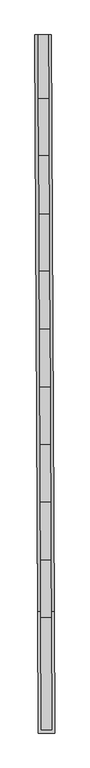
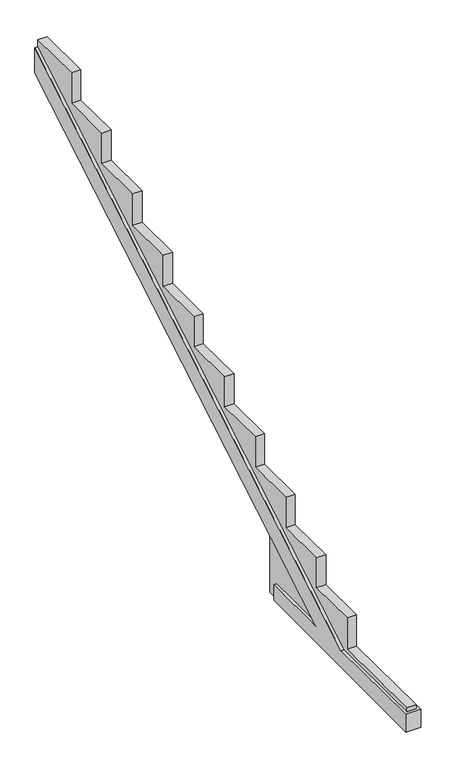
"""IFC4 building model written with IfcOpenShell, lengths in millimetres: beam geometry."""

from ifc_helpers import new_model, si_unit, origin, place, context, project, spatial, faceted_brep, source, transform, mapped, element, save


def beam_7ca71ed9(model_context):
    return source(origin(), model_context, "Body", "Brep", [
        faceted_brep([(-98220.0654341, 104542.3391539, -275.0034315), (-98220.0654341, 104542.3391539, -70.2674414), (-98215.8061168, 103636.0732887, -70.2674414), (-98244.4580467, 109732.4178976, 3622.7789843), (-98244.4580467, 109732.4178976, 3955.8572499), (-98213.2219806, 103086.2399927, -70.2674414), (-98206.638058, 101685.3618913, -70.2674414), (-98206.638058, 101685.3618913, -305.8269038), (-98409.9134591, 104541.4468959, -275.0034315), (-98396.4860829, 101684.4696333, -305.8269038), (-98396.4860829, 101684.4696333, -70.2674414), (-98403.0700055, 103085.3477347, -70.2674414), (-98434.3060717, 109731.5256395, 3955.8572499), (-98434.3060717, 109731.5256395, 3622.7789843), (-98405.6541418, 103635.1810307, -70.2674414), (-98409.9134591, 104541.4468959, -70.2674414), (-98372.0201822, 104541.6249888, -275.0034315), (-98254.8868357, 104542.1754984, -275.0034315), (-98248.0433822, 103086.0763372, -70.2674414), (-98241.6285105, 101721.16764, -70.2674414), (-98358.761857, 101720.6171303, -70.2674414), (-98365.1767287, 103085.5258276, -70.2674414), (-98279.2794483, 109732.254242, 3955.8572499), (-98396.4127948, 109731.7037324, 3955.8572499), (-98396.4127948, 109731.7037324, 4049.9153724), (-98279.2794483, 109732.254242, 4049.9153724), (-98250.6275184, 103635.9096332, -70.2674414), (-98255.6192822, 104698.0200179, 573.1382733), (-98372.7526287, 104697.4695083, 573.1382733), (-98367.760865, 103635.3591236, -70.2674414), (-98254.8868357, 104542.1754984, -70.2674414), (-98372.0201822, 104541.6249888, -70.2674414), (-98255.6192822, 104698.0200179, -275.0034315), (-98275.8577255, 109004.2055028, 4049.9153724), (-98275.8577255, 109004.2055028, 3644.9765953), (-98272.7710333, 108347.4420892, 3644.9765953), (-98272.7710333, 108347.4420892, 3241.2280705), (-98269.5982216, 107672.3548161, 3241.2280705), (-98269.5982216, 107672.3548161, 2820.7783254), (-98266.4960273, 107012.2929663, 2820.7783254), (-98266.4960273, 107012.2929663, 2405.3804107), (-98263.354465, 106343.8546971, 2405.3804107), (-98263.354465, 106343.8546971, 2004.9306656), (-98260.2286499, 105678.7669957, 2004.9306656), (-98260.2286499, 105678.7669957, 1606.2080561), (-98257.1029572, 105013.7053601, 1606.2080561), (-98257.1029572, 105013.7053601, 1202.4595313), (-98253.9848932, 104350.2668768, 1202.4595313), (-98253.9848932, 104350.2668768, 795.3863115), (-98250.8590781, 103685.1791754, 795.3863115), (-98250.8590781, 103685.1791754, 398.4167528), (-98247.7332629, 103020.091474, 398.4167528), (-98247.7332629, 103020.091474, -19.0699712), (-98241.6285105, 101721.16764, -19.0699712), (-98372.7526287, 104697.4695083, -275.0034315), (-98358.761857, 101720.6171303, -19.0699712), (-98364.8666095, 103019.5409644, -19.0699712), (-98364.8666095, 103019.5409644, 398.4167528), (-98367.9924246, 103684.6286658, 398.4167528), (-98367.9924246, 103684.6286658, 795.3863115), (-98371.1182397, 104349.7163672, 795.3863115), (-98371.1182397, 104349.7163672, 1202.4595313), (-98374.2363038, 105013.1548505, 1202.4595313), (-98374.2363038, 105013.1548505, 1606.2080561), (-98377.3619964, 105678.2164861, 1606.2080561), (-98377.3619964, 105678.2164861, 2004.9306656), (-98380.4878115, 106343.3041875, 2004.9306656), (-98380.4878115, 106343.3041875, 2405.3804107), (-98383.6293738, 107011.7424567, 2405.3804107), (-98383.6293738, 107011.7424567, 2820.7783254), (-98386.7315682, 107671.8043064, 2820.7783254), (-98386.7315682, 107671.8043064, 3241.2280705), (-98389.9043798, 108346.8915796, 3241.2280705), (-98389.9043798, 108346.8915796, 3644.9765953), (-98392.991072, 109003.6549931, 3644.9765953), (-98392.991072, 109003.6549931, 4049.9153724)], [[[0, 1, 2, 3, 4, 5, 6, 7]], [[8, 9, 10, 11, 12, 13, 14, 15]], [[0, 7, 9, 8, 16, 17]], [[7, 6, 10, 9]], [[6, 5, 18, 19, 20, 21, 11, 10]], [[5, 4, 22, 18]], [[12, 11, 21, 23]], [[4, 3, 13, 12, 23, 24, 25, 22]], [[3, 2, 26, 27, 28, 29, 14, 13]], [[2, 1, 30, 26]], [[15, 14, 29, 31]], [[1, 0, 17, 30]], [[8, 15, 31, 16]], [[17, 32, 27, 26, 30]], [[25, 33, 34, 35, 36, 37, 38, 39, 40, 41, 42, 43, 44, 45, 46, 47, 48, 49, 50, 51, 52, 53, 19, 18, 22]], [[54, 16, 31, 29, 28]], [[55, 56, 57, 58, 59, 60, 61, 62, 63, 64, 65, 66, 67, 68, 69, 70, 71, 72, 73, 74, 75, 24, 23, 21, 20]], [[32, 54, 28, 27]], [[53, 52, 56, 55]], [[52, 51, 57, 56]], [[51, 50, 58, 57]], [[50, 49, 59, 58]], [[49, 48, 60, 59]], [[48, 47, 61, 60]], [[47, 46, 62, 61]], [[46, 45, 63, 62]], [[45, 44, 64, 63]], [[44, 43, 65, 64]], [[43, 42, 66, 65]], [[42, 41, 67, 66]], [[41, 40, 68, 67]], [[40, 39, 69, 68]], [[39, 38, 70, 69]], [[38, 37, 71, 70]], [[37, 36, 72, 71]], [[36, 35, 73, 72]], [[35, 34, 74, 73]], [[34, 33, 75, 74]], [[33, 25, 24, 75]], [[54, 32, 17, 16]], [[53, 55, 20, 19]]]),
    ])


if __name__ == "__main__":
    model = new_model("IFC4")
    model_context = context("Model", 3, world=origin())
    ifc_project = project(units=[si_unit("LENGTHUNIT", "METRE", prefix="MILLI")], contexts=[model_context])
    site = spatial("IfcSite", under=ifc_project)
    building = spatial("IfcBuilding", under=site)
    placement = place(None, origin())
    beam_shape = beam_7ca71ed9(model_context)
    element("IfcBeam", 1, at=placement, inside=building, context=model_context, shape_type="MappedRepresentation", body=[
        mapped(beam_shape, transform((0.0, 0.0, 0.0), x_axis=(1.0, 0.0, 0.0), y_axis=(0.0, 1.0, 0.0), z_axis=(0.0, 0.0, 1.0))),
    ])
    save(model, "model.ifc")
